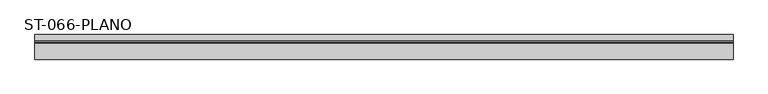
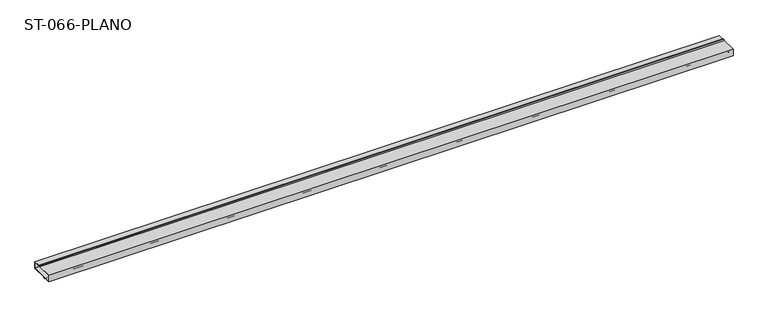
"""IFC4 building model written with IfcOpenShell, lengths in millimetres: plate geometry, ST-066-PLANO."""

from ifc_helpers import new_model, si_unit, frame, origin, place, context, project, spatial, polyline, outline, extrude, source, transform, mapped, element, save


def st_066_plano_5c986c0d(model_context):
    return source(origin(), model_context, "Body", "SweptSolid", [
        extrude(outline(polyline([(0.0, -16.4773536), (0.0, -1.4773536), (33.739354, -1.4773536), (35.4999985, 2.6e-06), (35.4999985, -1.2288988), (37.5000015, -1.2288988), (37.5000015, 0.0), (39.260643, -1.4773536), (53.0, -1.4773536), (53.0, -16.4773536), (19.260646, -16.4773536), (17.5000015, -17.9547098), (17.5000015, -16.7258084), (15.4999985, -16.7258084), (15.4999985, -17.9547072), (13.739357, -16.4773536), (0.0, -16.4773536)]), holes=[polyline([(51.7, -2.7773536), (1.3, -2.7773536), (1.3, -15.1773536), (51.7, -15.1773536), (51.7, -2.7773536)])]), frame((-750.0, 0.0, 0.0), z_axis=(1.0, 0.0, 0.0), x_axis=(0.0, 1.0, 0.0)), (0.0, 0.0, 1.0), 1500.0),
    ])


if __name__ == "__main__":
    model = new_model("IFC4")
    model_context = context("Model", 3, world=origin())
    ifc_project = project(units=[si_unit("LENGTHUNIT", "METRE", prefix="MILLI")], contexts=[model_context])
    site = spatial("IfcSite", under=ifc_project)
    building = spatial("IfcBuilding", under=site)
    placement = place(None, origin())
    st_066_plano_shape = st_066_plano_5c986c0d(model_context)
    element("IfcPlate", 1, ObjectType="ST-066-PLANO", at=placement, inside=building, context=model_context, shape_type="MappedRepresentation", body=[
        mapped(st_066_plano_shape, transform((0.0, 0.0, 0.0), x_axis=(1.0, 0.0, 0.0), y_axis=(0.0, 1.0, 0.0), z_axis=(0.0, 0.0, 1.0))),
    ])
    save(model, "model.ifc")
